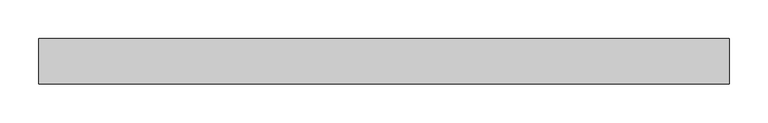
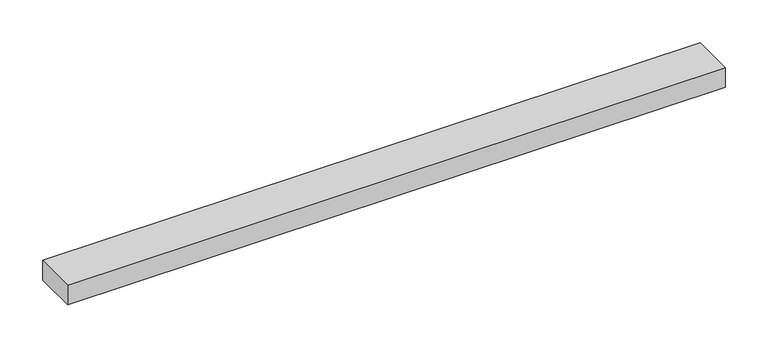
"""IFC4 building model written with IfcOpenShell, lengths in millimetres: proxy geometry."""

from ifc_helpers import new_model, si_unit, frame, origin, place, context, project, spatial, polyline, outline, extrude, source, transform, mapped, element, save


def specialty_equipment_9320ca69(model_context):
    return source(origin(), model_context, "Body", "SweptSolid", [
        extrude(outline(polyline([(-444.5, -29.2199219), (-444.5, 29.2199219), (444.5, 29.2199219), (444.5, -29.2199219), (-444.5, -29.2199219)])), frame((0.0, 0.0, -13.9898438), z_axis=(0.0, 0.0, 1.0), x_axis=(1.0, 0.0, 0.0)), (0.0, 0.0, 1.0), 27.9796875),
    ])


if __name__ == "__main__":
    model = new_model("IFC4")
    model_context = context("Model", 3, world=origin())
    ifc_project = project(units=[si_unit("LENGTHUNIT", "METRE", prefix="MILLI")], contexts=[model_context])
    site = spatial("IfcSite", under=ifc_project)
    building = spatial("IfcBuilding", under=site)
    placement = place(None, origin())
    specialty_equipment_shape = specialty_equipment_9320ca69(model_context)
    element("IfcBuildingElementProxy", 1, Name="Specialty Equipment", at=placement, inside=building, context=model_context, shape_type="MappedRepresentation", body=[
        mapped(specialty_equipment_shape, transform((0.0, 0.0, 0.0), x_axis=(1.0, 0.0, 0.0), y_axis=(0.0, 1.0, 0.0), z_axis=(0.0, 0.0, 1.0))),
    ])
    save(model, "model.ifc")
